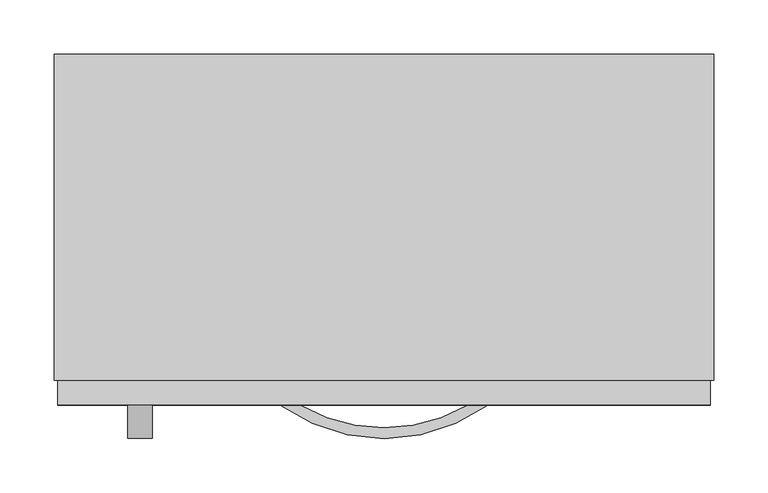
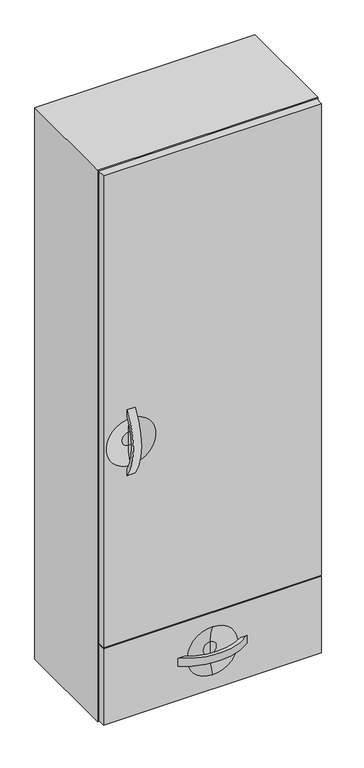
"""IFC4 building model written with IfcOpenShell, lengths in millimetres: furniture geometry."""

from ifc_helpers import new_model, si_unit, point, frame, frame_2d, origin, place, context, project, spatial, polyline, circle_curve, ellipse_curve, trimmed, segment, composite_curve, outline, extrude, source, transform, mapped, element, save
from ifc_brep_helpers import plane_surface, revolved_surface, advanced_brep


def furniture_3f72a4f0(model_context):
    return source(origin(), model_context, "Body", "SolidModel", [
        extrude(outline(composite_curve([segment(trimmed(circle_curve(frame_2d((-190.9255705, 1334.8035115)), 164.0076795), [point((-323.977, 1238.9085896))], [point((-323.977, 1430.6984333))], False, "CARTESIAN"), True, "CONTINUOUS"), segment(polyline([(-323.977, 1430.6984333), (-323.977, 1412.0385792)]), True, "CONTINUOUS"), segment(trimmed(circle_curve(frame_2d((-192.7296017, 1334.8051127)), 152.2855473), [point((-323.977, 1412.0385792))], [point((-323.977, 1257.5716461))], True, "CARTESIAN"), True, "CONTINUOUS"), segment(polyline([(-323.977, 1257.5716461), (-323.977, 1238.9085896)]), True, "CONTINUOUS")], self_intersect=False)), frame((-217.7997951, 0.0, 0.0), z_axis=(1.0, 0.0, 0.0), x_axis=(0.0, 1.0, 0.0)), (0.0, 0.0, 1.0), 22.225),
        extrude(outline(composite_curve([segment(trimmed(circle_curve(frame_2d((18.7377049, -190.9255705)), 164.0076795), [point((114.6326268, -323.977))], [point((-77.157217, -323.977))], False, "CARTESIAN"), True, "CONTINUOUS"), segment(polyline([(-77.157217, -323.977), (-58.4973628, -323.977)]), True, "CONTINUOUS"), segment(trimmed(circle_curve(frame_2d((18.7361037, -192.7296017)), 152.2855473), [point((-58.4973628, -323.977))], [point((95.9695702, -323.977))], True, "CARTESIAN"), True, "CONTINUOUS"), segment(polyline([(95.9695702, -323.977), (114.6326268, -323.977)]), True, "CONTINUOUS")], self_intersect=False)), frame((0.0, 0.0, 632.5307728), z_axis=(0.0, 0.0, 1.0), x_axis=(1.0, 0.0, 0.0)), (0.0, 0.0, 1.0), 22.225),
        advanced_brep(
        [(-282.8872951, -301.2559062, 755.4850588), (-282.8872951, -323.977, 755.4850588), (320.3627049, -323.977, 755.4850588), (320.3627049, -301.2559062, 755.4850588), (-282.8872951, -301.2559062, 531.5942187), (320.3627049, -301.2559062, 531.5942187), (320.3627049, -323.977, 531.5942187), (-282.8872951, -323.977, 531.5942187), (18.7377049, -323.977, 573.5365682), (18.7377049, -323.977, 713.7499774), (18.7377049, -311.3273482, 624.5954892), (18.7377049, -311.3273482, 662.6910564), (18.7377049, -311.3273482, 643.6432728)],
        [
            (0, 1),
            (1, 2),
            (2, 3),
            (3, 0),
            (4, 5),
            (5, 6),
            (6, 7),
            (7, 4),
            (0, 4),
            (7, 1),
            (6, 2),
            (8, 9, circle_curve(frame((18.7377049, -323.977, 643.6432728), z_axis=(0.0, 1.0, 0.0), x_axis=(0.0, 0.0, 1.0)), 70.1067046)),
            (9, 8, circle_curve(frame((18.7377049, -323.977, 643.6432728), z_axis=(0.0, 1.0, 0.0), x_axis=(0.0, 0.0, 1.0)), 70.1067046)),
            (5, 3),
            (8, 10, circle_curve(frame((18.7377049, -446.5701093, 631.0049526), z_axis=(1.0, 0.0, 0.0), x_axis=(0.0, 1.0, 0.0)), 135.3945555)),
            (10, 11, circle_curve(frame((18.7377049, -311.3273482, 643.6432728), z_axis=(0.0, 1.0, 0.0), x_axis=(0.0, 0.0, 1.0)), 19.0477836)),
            (11, 9, circle_curve(frame((18.7377049, -446.5701093, 656.281593), z_axis=(1.0, 0.0, 0.0), x_axis=(0.0, 1.0, 0.0)), 135.3945555)),
            (11, 10, circle_curve(frame((18.7377049, -311.3273482, 643.6432728), z_axis=(0.0, 1.0, 0.0), x_axis=(0.0, 0.0, 1.0)), 19.0477836)),
            (10, 12),
            (12, 11),
        ],
        [
            plane_surface(frame((-282.8872951, -323.977, 755.4850588), z_axis=(0.0, 0.0, 1.0), x_axis=(0.0, -1.0, 0.0))),
            plane_surface(frame((-282.8872951, -323.977, 531.5942187), z_axis=(0.0, 0.0, -1.0), x_axis=(0.0, 1.0, 0.0))),
            plane_surface(frame((-282.8872951, -301.2559062, 755.4850588), z_axis=(-1.0, 0.0, 0.0), x_axis=(0.0, 0.0, -1.0))),
            plane_surface(frame((-282.8872951, -323.977, 755.4850588), z_axis=(0.0, -1.0, 0.0), x_axis=(0.0, 0.0, -1.0))),
            plane_surface(frame((320.3627049, -323.977, 755.4850588), z_axis=(1.0, 0.0, 0.0), x_axis=(0.0, 0.0, -1.0))),
            plane_surface(frame((320.3627049, -301.2559062, 755.4850588), z_axis=(0.0, 1.0, 0.0), x_axis=(0.0, 0.0, -1.0))),
            revolved_surface(trimmed(ellipse_curve(frame((18.7377049, -446.5701093, 656.281593), z_axis=(-1.0, 0.0, 0.0), x_axis=(0.0, 1.0, 0.0)), 135.3945555, 135.3945555), [point((18.7377049, -323.977, 713.7499774))], [point((18.7377049, -311.3273482, 662.6910564))], True, "CARTESIAN"), (18.7377049, -311.3273482, 643.6432728), (0.0, -1.0, 0.0)),
            plane_surface(frame((18.7377049, -311.3273482, 643.6432728), z_axis=(0.0, -1.0, 0.0), x_axis=(0.0, 0.0, 1.0))),
        ],
        [
            (0, [[1, 2, 3, 4]]),
            (1, [[5, 6, 7, 8]]),
            (2, [[-1, 9, -8, 10]]),
            (3, [[-2, -10, -7, 11], [12, 13]]),
            (4, [[-3, -11, -6, 14]]),
            (5, [[-4, -14, -5, -9]]),
            (6, [[15, 16, 17, -12]]),
            (6, [[-15, -13, -17, 18]]),
            (7, [[-16, 19, 20]]),
            (7, [[-18, -20, -19]]),
        ],
    ),
        advanced_brep(
        [(-282.8872951, -301.2559062, 2138.045), (-282.8872951, -323.977, 2138.045), (320.3627049, -323.977, 2138.045), (320.3627049, -301.2559062, 2138.045), (-282.8872951, -301.2559062, 758.7059375), (320.3627049, -301.2559062, 758.7059375), (320.3627049, -323.977, 758.7059375), (-282.8872951, -323.977, 758.7059375), (-206.6872951, -323.977, 1403.3806846), (-206.6872951, -323.977, 1266.2263383), (-206.6872951, -311.3273482, 1315.7557279), (-206.6872951, -311.3273482, 1353.851295), (-206.6872951, -311.3273482, 1334.8035115)],
        [
            (0, 1),
            (1, 2),
            (2, 3),
            (3, 0),
            (4, 5),
            (5, 6),
            (6, 7),
            (7, 4),
            (0, 4),
            (7, 1),
            (6, 2),
            (8, 9, circle_curve(frame((-206.6872951, -323.977, 1334.8035115), z_axis=(0.0, 1.0, 0.0), x_axis=(0.0, 0.0, 1.0)), 68.5771731)),
            (9, 8, circle_curve(frame((-206.6872951, -323.977, 1334.8035115), z_axis=(0.0, 1.0, 0.0), x_axis=(0.0, 0.0, 1.0)), 68.5771731)),
            (5, 3),
            (10, 9, circle_curve(frame((-206.6872951, -432.1044866, 1320.2217972), z_axis=(-1.0, 0.0, 0.0), x_axis=(0.0, -1.0, 0.0)), 120.8596829)),
            (8, 11, circle_curve(frame((-206.6872951, -432.1044866, 1349.3852257), z_axis=(-1.0, 0.0, 0.0), x_axis=(0.0, -1.0, 0.0)), 120.8596829)),
            (11, 10, circle_curve(frame((-206.6872951, -311.3273482, 1334.8035115), z_axis=(0.0, 1.0, 0.0), x_axis=(0.0, 0.0, 1.0)), 19.0477836)),
            (10, 11, circle_curve(frame((-206.6872951, -311.3273482, 1334.8035115), z_axis=(0.0, 1.0, 0.0), x_axis=(0.0, 0.0, 1.0)), 19.0477836)),
            (11, 12),
            (12, 10),
        ],
        [
            plane_surface(frame((-282.8872951, -323.977, 2138.045), z_axis=(0.0, 0.0, 1.0), x_axis=(0.0, -1.0, 0.0))),
            plane_surface(frame((-282.8872951, -323.977, 758.7059375), z_axis=(0.0, 0.0, -1.0), x_axis=(0.0, 1.0, 0.0))),
            plane_surface(frame((-282.8872951, -301.2559062, 2138.045), z_axis=(-1.0, 0.0, 0.0), x_axis=(0.0, 0.0, -1.0))),
            plane_surface(frame((-282.8872951, -323.977, 2138.045), z_axis=(0.0, -1.0, 0.0), x_axis=(0.0, 0.0, -1.0))),
            plane_surface(frame((320.3627049, -323.977, 2138.045), z_axis=(1.0, 0.0, 0.0), x_axis=(0.0, 0.0, -1.0))),
            plane_surface(frame((320.3627049, -301.2559062, 2138.045), z_axis=(0.0, 1.0, 0.0), x_axis=(0.0, 0.0, -1.0))),
            revolved_surface(trimmed(ellipse_curve(frame((-206.6872951, -432.1044866, 1349.3852257), z_axis=(1.0, 0.0, 0.0), x_axis=(0.0, -1.0, 0.0)), 120.8596829, 120.8596829), [point((-206.6872951, -311.3273482, 1353.851295))], [point((-206.6872951, -323.977, 1403.3806846))], True, "CARTESIAN"), (-206.6872951, -311.3273482, 1334.8035115), (0.0, 1.0, 0.0)),
            plane_surface(frame((-206.6872951, -311.3273482, 1334.8035115), z_axis=(0.0, -1.0, 0.0), x_axis=(0.0, 0.0, 1.0))),
        ],
        [
            (0, [[1, 2, 3, 4]]),
            (1, [[5, 6, 7, 8]]),
            (2, [[-1, 9, -8, 10]]),
            (3, [[-2, -10, -7, 11], [12, 13]]),
            (4, [[-3, -11, -6, 14]]),
            (5, [[-4, -14, -5, -9]]),
            (6, [[15, -12, 16, 17]]),
            (6, [[-15, 18, -16, -13]]),
            (7, [[-17, 19, 20]]),
            (7, [[-18, -20, -19]]),
        ],
    ),
        extrude(outline(polyline([(-286.0622951, 0.0), (323.5377049, 0.0), (323.5377049, -301.2559062), (-286.0622951, -301.2559062), (-286.0622951, 0.0)])), frame((0.0, 0.0, 528.4192187), z_axis=(0.0, 0.0, 1.0), x_axis=(1.0, 0.0, 0.0)), (0.0, 0.0, 1.0), 1612.8007813),
    ])


if __name__ == "__main__":
    model = new_model("IFC4")
    model_context = context("Model", 3, world=origin())
    ifc_project = project(units=[si_unit("LENGTHUNIT", "METRE", prefix="MILLI")], contexts=[model_context])
    site = spatial("IfcSite", under=ifc_project)
    building = spatial("IfcBuilding", under=site)
    placement = place(None, origin())
    furniture_shape = furniture_3f72a4f0(model_context)
    element("IfcFurniture", 1, at=placement, inside=building, context=model_context, shape_type="MappedRepresentation", body=[
        mapped(furniture_shape, transform((0.0, 0.0, 0.0), x_axis=(1.0, 0.0, 0.0), y_axis=(0.0, 1.0, 0.0), z_axis=(0.0, 0.0, 1.0))),
    ])
    save(model, "model.ifc")
